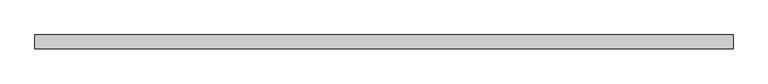
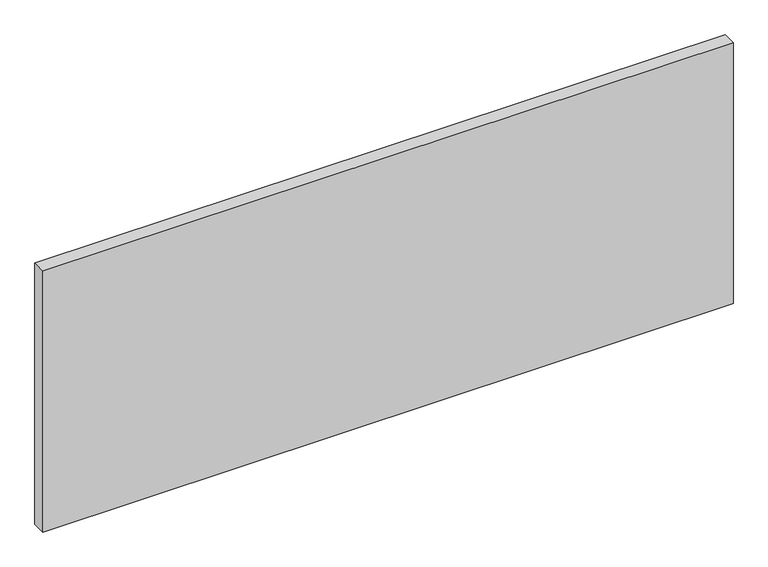
"""IFC4 building model written with IfcOpenShell, lengths in millimetres: proxy geometry."""

from ifc_helpers import new_model, si_unit, origin, origin_with_axes, place, context, project, spatial, polyline, outline, extrude, source, transform, mapped, element, save


def generic_models_9455e5b3(model_context):
    return source(origin(), model_context, "Body", "SweptSolid", [
        extrude(outline(polyline([(0.0, 100.0), (0.0, 0.0), (-5000.0, 0.0), (-5000.0, 100.0), (0.0, 100.0)])), origin_with_axes(), (0.0, 0.0, 1.0), 2000.0),
    ])


if __name__ == "__main__":
    model = new_model("IFC4")
    model_context = context("Model", 3, world=origin())
    ifc_project = project(units=[si_unit("LENGTHUNIT", "METRE", prefix="MILLI")], contexts=[model_context])
    site = spatial("IfcSite", under=ifc_project)
    building = spatial("IfcBuilding", under=site)
    placement = place(None, origin())
    generic_models_shape = generic_models_9455e5b3(model_context)
    element("IfcBuildingElementProxy", 1, Name="Generic Models", at=placement, inside=building, context=model_context, shape_type="MappedRepresentation", body=[
        mapped(generic_models_shape, transform((0.0, 0.0, 0.0), x_axis=(1.0, 0.0, 0.0), y_axis=(0.0, 1.0, 0.0), z_axis=(0.0, 0.0, 1.0))),
    ])
    save(model, "model.ifc")
